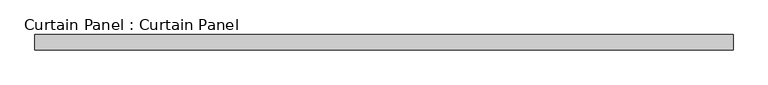
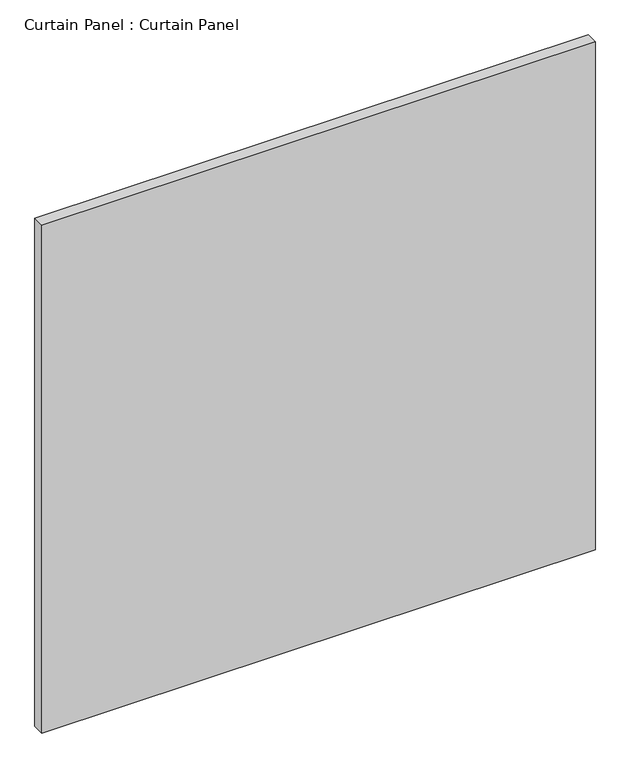
"""IFC4 building model written with IfcOpenShell, lengths in millimetres: plate geometry, Curtain Panel : Curtain Panel."""

from ifc_helpers import new_model, si_unit, frame, origin, place, context, project, spatial, polyline, outline, extrude, source, transform, mapped, element, save


def curtain_panel_curtain_panel_b8468977(model_context):
    return source(origin(), model_context, "Body", "SweptSolid", [
        extrude(outline(polyline([(-253319.3524652, -494.5574136), (-254475.0524652, -494.5574136), (-254475.0524652, -469.1574136), (-253319.3524652, -469.1574136), (-253319.3524652, -494.5574136)])), frame((0.0, 0.0, -1201.7345949), z_axis=(0.0, 0.0, 1.0), x_axis=(1.0, 0.0, 0.0)), (0.0, 0.0, 1.0), 1120.7720952),
    ])


if __name__ == "__main__":
    model = new_model("IFC4")
    model_context = context("Model", 3, world=origin())
    ifc_project = project(units=[si_unit("LENGTHUNIT", "METRE", prefix="MILLI")], contexts=[model_context])
    site = spatial("IfcSite", under=ifc_project)
    building = spatial("IfcBuilding", under=site)
    placement = place(None, origin())
    curtain_panel_curtain_panel_shape = curtain_panel_curtain_panel_b8468977(model_context)
    element("IfcPlate", 1, ObjectType="Curtain Panel : Curtain Panel", at=placement, inside=building, context=model_context, shape_type="MappedRepresentation", body=[
        mapped(curtain_panel_curtain_panel_shape, transform((0.0, 0.0, 0.0), x_axis=(1.0, 0.0, 0.0), y_axis=(0.0, 1.0, 0.0), z_axis=(0.0, 0.0, 1.0))),
    ])
    save(model, "model.ifc")
